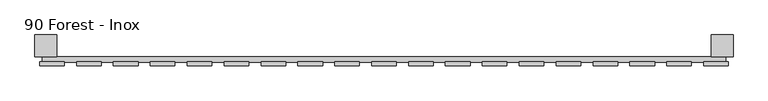
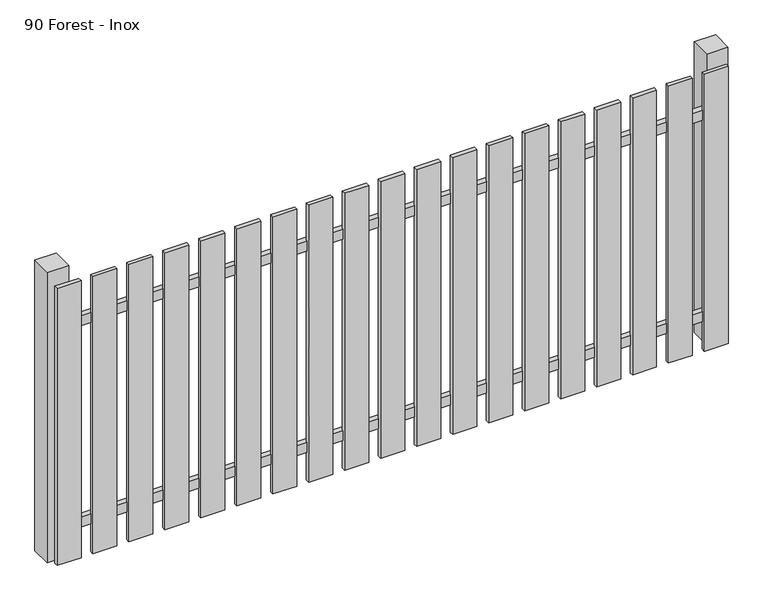
"""IFC4 building model written with IfcOpenShell, lengths in millimetres: railing geometry, 90 Forest - Inox."""

from ifc_helpers import new_model, si_unit, frame, origin, origin_with_axes, place, context, project, spatial, polyline, outline, extrude, source, transform, mapped, element, save


def railing_90_forest_inox_c374aaa6(model_context):
    return source(origin(), model_context, "Body", "SweptSolid", [
        extrude(outline(polyline([(1287.4299228, -88939.0267127), (1287.4299228, -88919.0267127), (3787.4299228, -88919.0267127), (3787.4299228, -88939.0267127), (1287.4299228, -88939.0267127)])), frame((0.0, 0.0, 110.0), z_axis=(0.0, 0.0, 1.0), x_axis=(1.0, 0.0, 0.0)), (0.0, 0.0, 1.0), 40.0),
        extrude(outline(polyline([(1287.4299228, -88939.0267127), (1287.4299228, -88919.0267127), (3787.4299228, -88919.0267127), (3787.4299228, -88939.0267127), (1287.4299228, -88939.0267127)])), frame((0.0, 0.0, 910.0), z_axis=(0.0, 0.0, 1.0), x_axis=(1.0, 0.0, 0.0)), (0.0, 0.0, 1.0), 40.0),
        extrude(outline(polyline([(3707.4299228, -88952.5267127), (3707.4299228, -88937.5267127), (3797.4299228, -88937.5267127), (3797.4299228, -88952.5267127), (3707.4299228, -88952.5267127)])), origin_with_axes(), (0.0, 0.0, 1.0), 1100.0),
        extrude(outline(polyline([(3572.4299228, -88952.5267127), (3572.4299228, -88937.5267127), (3662.4299228, -88937.5267127), (3662.4299228, -88952.5267127), (3572.4299228, -88952.5267127)])), origin_with_axes(), (0.0, 0.0, 1.0), 1100.0),
        extrude(outline(polyline([(3437.4299228, -88952.5267127), (3437.4299228, -88937.5267127), (3527.4299228, -88937.5267127), (3527.4299228, -88952.5267127), (3437.4299228, -88952.5267127)])), origin_with_axes(), (0.0, 0.0, 1.0), 1100.0),
        extrude(outline(polyline([(3302.4299228, -88952.5267127), (3302.4299228, -88937.5267127), (3392.4299228, -88937.5267127), (3392.4299228, -88952.5267127), (3302.4299228, -88952.5267127)])), origin_with_axes(), (0.0, 0.0, 1.0), 1100.0),
        extrude(outline(polyline([(3167.4299228, -88952.5267127), (3167.4299228, -88937.5267127), (3257.4299228, -88937.5267127), (3257.4299228, -88952.5267127), (3167.4299228, -88952.5267127)])), origin_with_axes(), (0.0, 0.0, 1.0), 1100.0),
        extrude(outline(polyline([(3032.4299228, -88952.5267127), (3032.4299228, -88937.5267127), (3122.4299228, -88937.5267127), (3122.4299228, -88952.5267127), (3032.4299228, -88952.5267127)])), origin_with_axes(), (0.0, 0.0, 1.0), 1100.0),
        extrude(outline(polyline([(2897.4299228, -88952.5267127), (2897.4299228, -88937.5267127), (2987.4299228, -88937.5267127), (2987.4299228, -88952.5267127), (2897.4299228, -88952.5267127)])), origin_with_axes(), (0.0, 0.0, 1.0), 1100.0),
        extrude(outline(polyline([(2762.4299228, -88952.5267127), (2762.4299228, -88937.5267127), (2852.4299228, -88937.5267127), (2852.4299228, -88952.5267127), (2762.4299228, -88952.5267127)])), origin_with_axes(), (0.0, 0.0, 1.0), 1100.0),
        extrude(outline(polyline([(2627.4299228, -88952.5267127), (2627.4299228, -88937.5267127), (2717.4299228, -88937.5267127), (2717.4299228, -88952.5267127), (2627.4299228, -88952.5267127)])), origin_with_axes(), (0.0, 0.0, 1.0), 1100.0),
        extrude(outline(polyline([(2492.4299228, -88952.5267127), (2492.4299228, -88937.5267127), (2582.4299228, -88937.5267127), (2582.4299228, -88952.5267127), (2492.4299228, -88952.5267127)])), origin_with_axes(), (0.0, 0.0, 1.0), 1100.0),
        extrude(outline(polyline([(2357.4299228, -88952.5267127), (2357.4299228, -88937.5267127), (2447.4299228, -88937.5267127), (2447.4299228, -88952.5267127), (2357.4299228, -88952.5267127)])), origin_with_axes(), (0.0, 0.0, 1.0), 1100.0),
        extrude(outline(polyline([(2222.4299228, -88952.5267127), (2222.4299228, -88937.5267127), (2312.4299228, -88937.5267127), (2312.4299228, -88952.5267127), (2222.4299228, -88952.5267127)])), origin_with_axes(), (0.0, 0.0, 1.0), 1100.0),
        extrude(outline(polyline([(2087.4299228, -88952.5267127), (2087.4299228, -88937.5267127), (2177.4299228, -88937.5267127), (2177.4299228, -88952.5267127), (2087.4299228, -88952.5267127)])), origin_with_axes(), (0.0, 0.0, 1.0), 1100.0),
        extrude(outline(polyline([(1952.4299228, -88952.5267127), (1952.4299228, -88937.5267127), (2042.4299228, -88937.5267127), (2042.4299228, -88952.5267127), (1952.4299228, -88952.5267127)])), origin_with_axes(), (0.0, 0.0, 1.0), 1100.0),
        extrude(outline(polyline([(1817.4299228, -88952.5267127), (1817.4299228, -88937.5267127), (1907.4299228, -88937.5267127), (1907.4299228, -88952.5267127), (1817.4299228, -88952.5267127)])), origin_with_axes(), (0.0, 0.0, 1.0), 1100.0),
        extrude(outline(polyline([(1682.4299228, -88952.5267127), (1682.4299228, -88937.5267127), (1772.4299228, -88937.5267127), (1772.4299228, -88952.5267127), (1682.4299228, -88952.5267127)])), origin_with_axes(), (0.0, 0.0, 1.0), 1100.0),
        extrude(outline(polyline([(1547.4299228, -88952.5267127), (1547.4299228, -88937.5267127), (1637.4299228, -88937.5267127), (1637.4299228, -88952.5267127), (1547.4299228, -88952.5267127)])), origin_with_axes(), (0.0, 0.0, 1.0), 1100.0),
        extrude(outline(polyline([(1412.4299228, -88952.5267127), (1412.4299228, -88937.5267127), (1502.4299228, -88937.5267127), (1502.4299228, -88952.5267127), (1412.4299228, -88952.5267127)])), origin_with_axes(), (0.0, 0.0, 1.0), 1100.0),
        extrude(outline(polyline([(1277.4299228, -88952.5267127), (1277.4299228, -88937.5267127), (1367.4299228, -88937.5267127), (1367.4299228, -88952.5267127), (1277.4299228, -88952.5267127)])), origin_with_axes(), (0.0, 0.0, 1.0), 1100.0),
        extrude(outline(polyline([(3734.9299228, -88839.0267127), (3814.9299228, -88839.0267127), (3814.9299228, -88919.0267127), (3734.9299228, -88919.0267127), (3734.9299228, -88839.0267127)])), frame((0.0, 0.0, -4.0), z_axis=(0.0, 0.0, 1.0), x_axis=(1.0, 0.0, 0.0)), (0.0, 0.0, 1.0), 1154.0),
        extrude(outline(polyline([(1259.9299228, -88839.0267127), (1339.9299228, -88839.0267127), (1339.9299228, -88919.0267127), (1259.9299228, -88919.0267127), (1259.9299228, -88839.0267127)])), frame((0.0, 0.0, -4.0), z_axis=(0.0, 0.0, 1.0), x_axis=(1.0, 0.0, 0.0)), (0.0, 0.0, 1.0), 1154.0),
    ])


if __name__ == "__main__":
    model = new_model("IFC4")
    model_context = context("Model", 3, world=origin())
    ifc_project = project(units=[si_unit("LENGTHUNIT", "METRE", prefix="MILLI")], contexts=[model_context])
    site = spatial("IfcSite", under=ifc_project)
    building = spatial("IfcBuilding", under=site)
    placement = place(None, origin())
    railing_90_forest_inox_shape = railing_90_forest_inox_c374aaa6(model_context)
    element("IfcRailing", 1, ObjectType="90 Forest - Inox", at=placement, inside=building, context=model_context, shape_type="MappedRepresentation", body=[
        mapped(railing_90_forest_inox_shape, transform((0.0, 0.0, 0.0), x_axis=(1.0, 0.0, 0.0), y_axis=(0.0, 1.0, 0.0), z_axis=(0.0, 0.0, 1.0))),
    ])
    save(model, "model.ifc")
